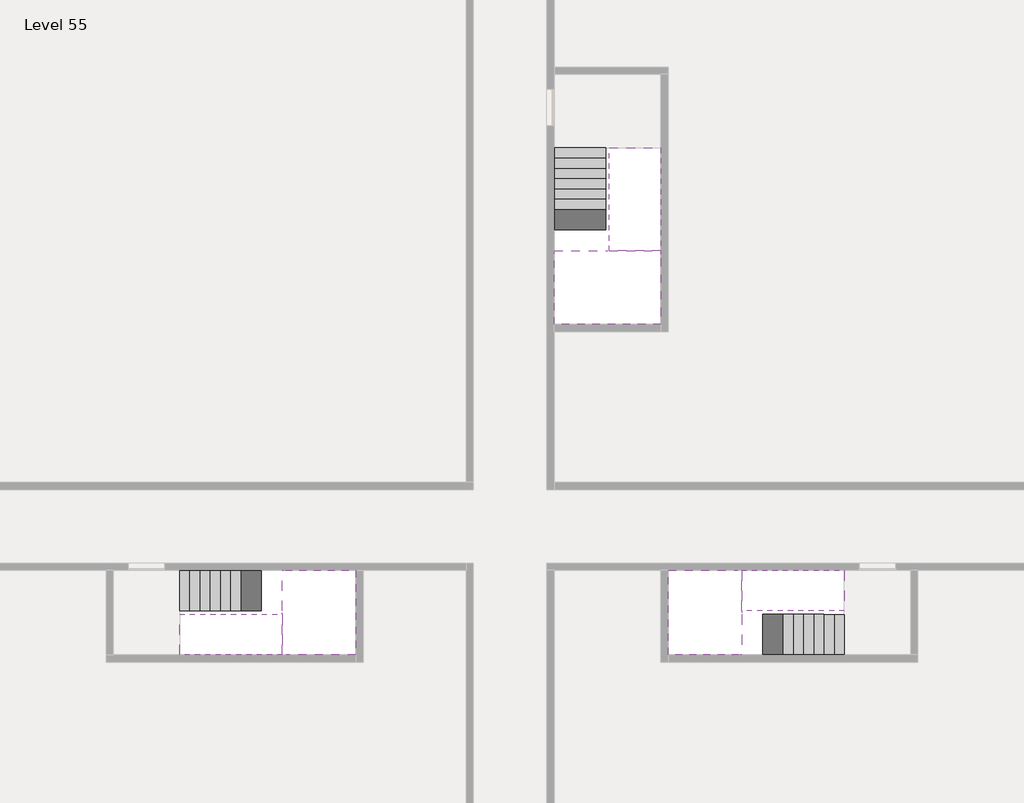
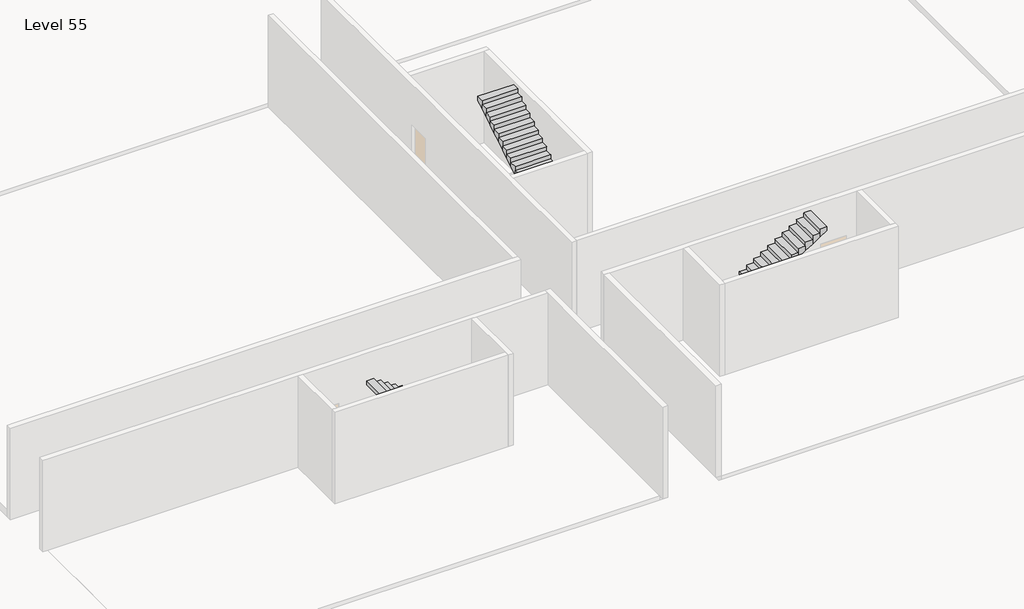
# One storey, part 2 of 2: 6 stair flights, 3 slabs.
"""IFC4 building model written with IfcOpenShell, lengths in millimetres."""

from ifc_helpers import new_model, si_unit, origin, place, context, project, spatial, faceted_brep, element, save

model = new_model("IFC4")

# Units and contexts
model_context = context("Model", 3, world=origin())
ifc_project = project(units=[si_unit("LENGTHUNIT", "METRE", prefix="MILLI")], contexts=[model_context])

# Site, building, storey
site = spatial("IfcSite", under=ifc_project)
building = spatial("IfcBuilding", under=site)
storey = spatial("IfcBuildingStorey", under=building, Name="Level 55", Elevation=205200.0)

# Slabs
placement = place(None, origin())
element("IfcSlab", 1, at=placement, inside=storey, context=model_context, shape_type="Brep", body=[
    faceted_brep([(26790.1058784, -34218.09644, 207100.0), (25390.1058784, -34218.09644, 207100.0), (25390.1058784, -34297.4828763, 207100.0), (25390.1058784, -36218.09644, 207100.0), (28290.1058784, -36218.09644, 207100.0), (28290.1058784, -34418.7100038, 207100.0), (28290.1058784, -34218.09644, 207100.0), (26890.1058784, -34218.09644, 207100.0), (26790.1058784, -34218.09644, 206800.0), (26790.1058784, -34218.09644, 206751.0278478), (25390.1058784, -34218.09644, 206751.0278478), (25390.1058784, -34218.09644, 206927.2727273), (25390.1058784, -34297.4828763, 206800.0), (25390.1058784, -36218.09644, 206800.0), (28290.1058784, -36218.09644, 206800.0), (28290.1058784, -34418.7100038, 206800.0), (28290.1058784, -34218.09644, 206923.7551205), (26890.1058784, -34218.09644, 206923.7551205), (26890.1058784, -34218.09644, 206800.0), (26890.1058784, -34418.7100038, 206800.0), (26790.1058784, -34297.4828763, 206800.0)], [[[0, 1, 2, 3, 4, 5, 6, 7]], [[1, 0, 8, 9, 10, 11]], [[1, 11, 10, 12, 13, 3, 2]], [[4, 3, 13, 14]], [[4, 14, 15, 16, 6, 5]], [[7, 6, 16, 17]], [[0, 7, 17, 18, 8]], [[18, 19, 15, 14, 13, 12, 20, 8]], [[19, 18, 17]], [[20, 12, 10, 9]], [[8, 20, 9]], [[15, 19, 17, 16]]]),
])
element("IfcSlab", 2, at=placement, inside=storey, context=model_context, shape_type="Brep", body=[
    faceted_brep([(30490.1058784, -45218.09644, 207100.0), (30490.1058784, -44118.09644, 207100.0), (30490.1058784, -44018.09644, 207100.0), (30490.1058784, -42918.09644, 207100.0), (30289.4923146, -42918.09644, 207100.0), (28490.1058784, -42918.09644, 207100.0), (28490.1058784, -45218.09644, 207100.0), (30410.7194421, -45218.09644, 207100.0), (30490.1058784, -45218.09644, 206927.2727273), (30490.1058784, -45218.09644, 206751.0278478), (30490.1058784, -44118.09644, 206751.0278478), (30490.1058784, -44118.09644, 206800.0), (30490.1058784, -44018.09644, 206800.0), (30490.1058784, -44018.09644, 206923.7551205), (30490.1058784, -42918.09644, 206923.7551205), (30289.4923146, -42918.09644, 206800.0), (28490.1058784, -42918.09644, 206800.0), (28490.1058784, -45218.09644, 206800.0), (30410.7194421, -45218.09644, 206800.0), (30289.4923146, -44018.09644, 206800.0), (30410.7194421, -44118.09644, 206800.0)], [[[0, 1, 2, 3, 4, 5, 6, 7]], [[1, 0, 8, 9, 10, 11]], [[2, 1, 11, 12, 13]], [[3, 2, 13, 14]], [[3, 14, 15, 16, 5, 4]], [[6, 5, 16, 17]], [[9, 8, 0, 7, 6, 17, 18]], [[19, 12, 11, 20, 18, 17, 16, 15]], [[12, 19, 13]], [[18, 20, 10, 9]], [[20, 11, 10]], [[19, 15, 14, 13]]]),
])
element("IfcSlab", 3, at=placement, inside=storey, context=model_context, shape_type="Brep", body=[
    faceted_brep([(17990.1058784, -42918.09644, 207100.0), (17990.1058784, -44018.09644, 207100.0), (17990.1058784, -44118.09644, 207100.0), (17990.1058784, -45218.09644, 207100.0), (18190.7194421, -45218.09644, 207100.0), (19990.1058784, -45218.09644, 207100.0), (19990.1058784, -42918.09644, 207100.0), (18069.4923146, -42918.09644, 207100.0), (17990.1058784, -42918.09644, 206927.2727273), (17990.1058784, -42918.09644, 206751.0278478), (17990.1058784, -44018.09644, 206751.0278478), (17990.1058784, -44018.09644, 206800.0), (17990.1058784, -44118.09644, 206800.0), (17990.1058784, -44118.09644, 206923.7551205), (17990.1058784, -45218.09644, 206923.7551205), (18190.7194421, -45218.09644, 206800.0), (19990.1058784, -45218.09644, 206800.0), (19990.1058784, -42918.09644, 206800.0), (18069.4923146, -42918.09644, 206800.0), (18190.7194421, -44118.09644, 206800.0), (18069.4923146, -44018.09644, 206800.0)], [[[0, 1, 2, 3, 4, 5, 6, 7]], [[1, 0, 8, 9, 10, 11]], [[2, 1, 11, 12, 13]], [[3, 2, 13, 14]], [[3, 14, 15, 16, 5, 4]], [[6, 5, 16, 17]], [[9, 8, 0, 7, 6, 17, 18]], [[19, 12, 11, 20, 18, 17, 16, 15]], [[12, 19, 13]], [[18, 20, 10, 9]], [[20, 11, 10]], [[19, 15, 14, 13]]]),
])

# Stair flights
element("IfcStairFlight", 4, at=placement, inside=storey, context=model_context, shape_type="Brep", body=[
    faceted_brep([(26790.1058784, -31698.09644, 205372.7272727), (26790.1058784, -31418.09644, 205372.7272727), (25390.1058784, -31418.09644, 205372.7272727), (25390.1058784, -31698.09644, 205372.7272727), (26790.1058784, -31698.09644, 205200.0), (26790.1058784, -31418.09644, 205200.0), (25390.1058784, -31418.09644, 205200.0), (25390.1058784, -31698.09644, 205200.0), (26790.1058784, -31978.09644, 205545.4545455), (26790.1058784, -31698.09644, 205545.4545455), (25390.1058784, -31698.09644, 205545.4545455), (25390.1058784, -31978.09644, 205545.4545455), (26790.1058784, -31978.09644, 205369.209666), (26790.1058784, -31703.7986657, 205200.0), (25390.1058784, -31703.7986657, 205200.0), (25390.1058784, -31978.09644, 205369.209666), (26790.1058784, -32258.09644, 205718.1818182), (26790.1058784, -31978.09644, 205718.1818182), (25390.1058784, -31978.09644, 205718.1818182), (25390.1058784, -32258.09644, 205718.1818182), (26790.1058784, -32258.09644, 205541.9369387), (25390.1058784, -32258.09644, 205541.9369387), (26790.1058784, -32538.09644, 205890.9090909), (26790.1058784, -32258.09644, 205890.9090909), (25390.1058784, -32258.09644, 205890.9090909), (25390.1058784, -32538.09644, 205890.9090909), (26790.1058784, -32538.09644, 205714.6642114), (25390.1058784, -32538.09644, 205714.6642114), (26790.1058784, -32818.09644, 206063.6363636), (26790.1058784, -32538.09644, 206063.6363636), (25390.1058784, -32538.09644, 206063.6363636), (25390.1058784, -32818.09644, 206063.6363636), (26790.1058784, -32818.09644, 205887.3914841), (25390.1058784, -32818.09644, 205887.3914841), (26790.1058784, -33098.09644, 206236.3636364), (26790.1058784, -32818.09644, 206236.3636364), (25390.1058784, -32818.09644, 206236.3636364), (25390.1058784, -33098.09644, 206236.3636364), (26790.1058784, -33098.09644, 206060.1187569), (25390.1058784, -33098.09644, 206060.1187569), (26790.1058784, -33378.09644, 206409.0909091), (26790.1058784, -33098.09644, 206409.0909091), (25390.1058784, -33098.09644, 206409.0909091), (25390.1058784, -33378.09644, 206409.0909091), (26790.1058784, -33378.09644, 206232.8460296), (25390.1058784, -33378.09644, 206232.8460296), (26790.1058784, -33658.09644, 206581.8181818), (26790.1058784, -33378.09644, 206581.8181818), (25390.1058784, -33378.09644, 206581.8181818), (25390.1058784, -33658.09644, 206581.8181818), (26790.1058784, -33658.09644, 206405.5733023), (25390.1058784, -33658.09644, 206405.5733023), (26790.1058784, -33938.09644, 206754.5454545), (26790.1058784, -33658.09644, 206754.5454545), (25390.1058784, -33658.09644, 206754.5454545), (25390.1058784, -33938.09644, 206754.5454545), (26790.1058784, -33938.09644, 206578.3005751), (25390.1058784, -33938.09644, 206578.3005751), (26790.1058784, -34218.09644, 206927.2727273), (26790.1058784, -33938.09644, 206927.2727273), (25390.1058784, -33938.09644, 206927.2727273), (25390.1058784, -34218.09644, 206927.2727273), (26790.1058784, -34218.09644, 206800.0), (26790.1058784, -34218.09644, 206751.0278478), (25390.1058784, -34218.09644, 206751.0278478)], [[[0, 1, 2, 3]], [[1, 0, 4, 5]], [[2, 1, 5, 6]], [[3, 2, 6, 7]], [[8, 9, 10, 11]], [[4, 0, 9, 8, 12, 13]], [[0, 3, 10, 9]], [[3, 7, 14, 15, 11, 10]], [[16, 17, 18, 19]], [[17, 16, 20, 12, 8]], [[8, 11, 18, 17]], [[19, 18, 11, 15, 21]], [[22, 23, 24, 25]], [[23, 22, 26, 20, 16]], [[16, 19, 24, 23]], [[25, 24, 19, 21, 27]], [[28, 29, 30, 31]], [[29, 28, 32, 26, 22]], [[22, 25, 30, 29]], [[31, 30, 25, 27, 33]], [[34, 35, 36, 37]], [[35, 34, 38, 32, 28]], [[28, 31, 36, 35]], [[37, 36, 31, 33, 39]], [[40, 41, 42, 43]], [[41, 40, 44, 38, 34]], [[34, 37, 42, 41]], [[43, 42, 37, 39, 45]], [[46, 47, 48, 49]], [[47, 46, 50, 44, 40]], [[40, 43, 48, 47]], [[49, 48, 43, 45, 51]], [[52, 53, 54, 55]], [[53, 52, 56, 50, 46]], [[46, 49, 54, 53]], [[55, 54, 49, 51, 57]], [[58, 59, 60, 61]], [[59, 58, 62, 63, 56, 52]], [[52, 55, 60, 59]], [[61, 60, 55, 57, 64]], [[58, 61, 64, 63, 62]], [[5, 4, 13, 14, 7, 6]], [[14, 13, 12, 20, 26, 32, 38, 44, 50, 56, 63, 64, 57, 51, 45, 39, 33, 27, 21, 15]]]),
])
element("IfcStairFlight", 5, at=placement, inside=storey, context=model_context, shape_type="Brep", body=[
    faceted_brep([(26890.1058784, -33938.09644, 207272.7272727), (26890.1058784, -34218.09644, 207272.7272727), (28290.1058784, -34218.09644, 207272.7272727), (28290.1058784, -33938.09644, 207272.7272727), (26890.1058784, -33938.09644, 207096.4823932), (26890.1058784, -34218.09644, 206923.7551205), (28290.1058784, -34218.09644, 206923.7551205), (28290.1058784, -34218.09644, 207100.0), (28290.1058784, -33938.09644, 207096.4823932), (26890.1058784, -33658.09644, 207445.4545455), (26890.1058784, -33938.09644, 207445.4545455), (28290.1058784, -33938.09644, 207445.4545455), (28290.1058784, -33658.09644, 207445.4545455), (26890.1058784, -33658.09644, 207269.209666), (28290.1058784, -33658.09644, 207269.209666), (26890.1058784, -33378.09644, 207618.1818182), (26890.1058784, -33658.09644, 207618.1818182), (28290.1058784, -33658.09644, 207618.1818182), (28290.1058784, -33378.09644, 207618.1818182), (26890.1058784, -33378.09644, 207441.9369387), (28290.1058784, -33378.09644, 207441.9369387), (26890.1058784, -33098.09644, 207790.9090909), (26890.1058784, -33378.09644, 207790.9090909), (28290.1058784, -33378.09644, 207790.9090909), (28290.1058784, -33098.09644, 207790.9090909), (26890.1058784, -33098.09644, 207614.6642114), (28290.1058784, -33098.09644, 207614.6642114), (26890.1058784, -32818.09644, 207963.6363636), (26890.1058784, -33098.09644, 207963.6363636), (28290.1058784, -33098.09644, 207963.6363636), (28290.1058784, -32818.09644, 207963.6363636), (26890.1058784, -32818.09644, 207787.3914841), (28290.1058784, -32818.09644, 207787.3914841), (26890.1058784, -32538.09644, 208136.3636364), (26890.1058784, -32818.09644, 208136.3636364), (28290.1058784, -32818.09644, 208136.3636364), (28290.1058784, -32538.09644, 208136.3636364), (26890.1058784, -32538.09644, 207960.1187569), (28290.1058784, -32538.09644, 207960.1187569), (26890.1058784, -32258.09644, 208309.0909091), (26890.1058784, -32538.09644, 208309.0909091), (28290.1058784, -32538.09644, 208309.0909091), (28290.1058784, -32258.09644, 208309.0909091), (26890.1058784, -32258.09644, 208132.8460296), (28290.1058784, -32258.09644, 208132.8460296), (26890.1058784, -31978.09644, 208481.8181818), (26890.1058784, -32258.09644, 208481.8181818), (28290.1058784, -32258.09644, 208481.8181818), (28290.1058784, -31978.09644, 208481.8181818), (26890.1058784, -31978.09644, 208305.5733023), (28290.1058784, -31978.09644, 208305.5733023), (26890.1058784, -31698.09644, 208654.5454545), (26890.1058784, -31978.09644, 208654.5454545), (28290.1058784, -31978.09644, 208654.5454545), (28290.1058784, -31698.09644, 208654.5454545), (26890.1058784, -31698.09644, 208478.3005751), (28290.1058784, -31698.09644, 208478.3005751), (26890.1058784, -31418.09644, 208827.2727273), (26890.1058784, -31698.09644, 208827.2727273), (28290.1058784, -31698.09644, 208827.2727273), (28290.1058784, -31418.09644, 208827.2727273), (26890.1058784, -31418.09644, 208651.0278478), (28290.1058784, -31418.09644, 208651.0278478)], [[[0, 1, 2, 3]], [[1, 0, 4, 5]], [[2, 1, 5, 6, 7]], [[3, 2, 7, 6, 8]], [[9, 10, 11, 12]], [[10, 9, 13, 4, 0]], [[11, 10, 0, 3]], [[12, 11, 3, 8, 14]], [[15, 16, 17, 18]], [[16, 15, 19, 13, 9]], [[17, 16, 9, 12]], [[18, 17, 12, 14, 20]], [[21, 22, 23, 24]], [[22, 21, 25, 19, 15]], [[23, 22, 15, 18]], [[24, 23, 18, 20, 26]], [[27, 28, 29, 30]], [[28, 27, 31, 25, 21]], [[29, 28, 21, 24]], [[30, 29, 24, 26, 32]], [[33, 34, 35, 36]], [[34, 33, 37, 31, 27]], [[35, 34, 27, 30]], [[36, 35, 30, 32, 38]], [[39, 40, 41, 42]], [[40, 39, 43, 37, 33]], [[41, 40, 33, 36]], [[42, 41, 36, 38, 44]], [[45, 46, 47, 48]], [[46, 45, 49, 43, 39]], [[47, 46, 39, 42]], [[48, 47, 42, 44, 50]], [[51, 52, 53, 54]], [[52, 51, 55, 49, 45]], [[53, 52, 45, 48]], [[54, 53, 48, 50, 56]], [[57, 58, 59, 60]], [[58, 57, 61, 55, 51]], [[59, 58, 51, 54]], [[60, 59, 54, 56, 62]], [[57, 60, 62, 61]], [[5, 4, 13, 19, 25, 31, 37, 43, 49, 55, 61, 62, 56, 50, 44, 38, 32, 26, 20, 14, 8, 6]]]),
])
element("IfcStairFlight", 6, at=placement, inside=storey, context=model_context, shape_type="Brep", body=[
    faceted_brep([(33010.1058784, -45218.09644, 205372.7272727), (33290.1058784, -45218.09644, 205372.7272727), (33290.1058784, -44118.09644, 205372.7272727), (33010.1058784, -44118.09644, 205372.7272727), (33010.1058784, -45218.09644, 205200.0), (33290.1058784, -45218.09644, 205200.0), (33290.1058784, -44118.09644, 205200.0), (33010.1058784, -44118.09644, 205200.0), (32730.1058784, -45218.09644, 205545.4545455), (33010.1058784, -45218.09644, 205545.4545455), (33010.1058784, -44118.09644, 205545.4545455), (32730.1058784, -44118.09644, 205545.4545455), (32730.1058784, -45218.09644, 205369.209666), (33004.4036527, -45218.09644, 205200.0), (33004.4036527, -44118.09644, 205200.0), (32730.1058784, -44118.09644, 205369.209666), (32450.1058784, -45218.09644, 205718.1818182), (32730.1058784, -45218.09644, 205718.1818182), (32730.1058784, -44118.09644, 205718.1818182), (32450.1058784, -44118.09644, 205718.1818182), (32450.1058784, -45218.09644, 205541.9369387), (32450.1058784, -44118.09644, 205541.9369387), (32170.1058784, -45218.09644, 205890.9090909), (32450.1058784, -45218.09644, 205890.9090909), (32450.1058784, -44118.09644, 205890.9090909), (32170.1058784, -44118.09644, 205890.9090909), (32170.1058784, -45218.09644, 205714.6642114), (32170.1058784, -44118.09644, 205714.6642114), (31890.1058784, -45218.09644, 206063.6363636), (32170.1058784, -45218.09644, 206063.6363636), (32170.1058784, -44118.09644, 206063.6363636), (31890.1058784, -44118.09644, 206063.6363636), (31890.1058784, -45218.09644, 205887.3914841), (31890.1058784, -44118.09644, 205887.3914841), (31610.1058784, -45218.09644, 206236.3636364), (31890.1058784, -45218.09644, 206236.3636364), (31890.1058784, -44118.09644, 206236.3636364), (31610.1058784, -44118.09644, 206236.3636364), (31610.1058784, -45218.09644, 206060.1187569), (31610.1058784, -44118.09644, 206060.1187569), (31330.1058784, -45218.09644, 206409.0909091), (31610.1058784, -45218.09644, 206409.0909091), (31610.1058784, -44118.09644, 206409.0909091), (31330.1058784, -44118.09644, 206409.0909091), (31330.1058784, -45218.09644, 206232.8460296), (31330.1058784, -44118.09644, 206232.8460296), (31050.1058784, -45218.09644, 206581.8181818), (31330.1058784, -45218.09644, 206581.8181818), (31330.1058784, -44118.09644, 206581.8181818), (31050.1058784, -44118.09644, 206581.8181818), (31050.1058784, -45218.09644, 206405.5733023), (31050.1058784, -44118.09644, 206405.5733023), (30770.1058784, -45218.09644, 206754.5454545), (31050.1058784, -45218.09644, 206754.5454545), (31050.1058784, -44118.09644, 206754.5454545), (30770.1058784, -44118.09644, 206754.5454545), (30770.1058784, -45218.09644, 206578.3005751), (30770.1058784, -44118.09644, 206578.3005751), (30490.1058784, -45218.09644, 206927.2727273), (30770.1058784, -45218.09644, 206927.2727273), (30770.1058784, -44118.09644, 206927.2727273), (30490.1058784, -44118.09644, 206927.2727273), (30490.1058784, -45218.09644, 206751.0278478), (30490.1058784, -44118.09644, 206751.0278478), (30490.1058784, -44118.09644, 206800.0)], [[[0, 1, 2, 3]], [[1, 0, 4, 5]], [[2, 1, 5, 6]], [[3, 2, 6, 7]], [[8, 9, 10, 11]], [[4, 0, 9, 8, 12, 13]], [[0, 3, 10, 9]], [[3, 7, 14, 15, 11, 10]], [[16, 17, 18, 19]], [[17, 16, 20, 12, 8]], [[8, 11, 18, 17]], [[19, 18, 11, 15, 21]], [[22, 23, 24, 25]], [[23, 22, 26, 20, 16]], [[16, 19, 24, 23]], [[25, 24, 19, 21, 27]], [[28, 29, 30, 31]], [[29, 28, 32, 26, 22]], [[22, 25, 30, 29]], [[31, 30, 25, 27, 33]], [[34, 35, 36, 37]], [[35, 34, 38, 32, 28]], [[28, 31, 36, 35]], [[37, 36, 31, 33, 39]], [[40, 41, 42, 43]], [[41, 40, 44, 38, 34]], [[34, 37, 42, 41]], [[43, 42, 37, 39, 45]], [[46, 47, 48, 49]], [[47, 46, 50, 44, 40]], [[40, 43, 48, 47]], [[49, 48, 43, 45, 51]], [[52, 53, 54, 55]], [[53, 52, 56, 50, 46]], [[46, 49, 54, 53]], [[55, 54, 49, 51, 57]], [[58, 59, 60, 61]], [[59, 58, 62, 56, 52]], [[52, 55, 60, 59]], [[61, 60, 55, 57, 63, 64]], [[58, 61, 64, 63, 62]], [[5, 4, 13, 14, 7, 6]], [[14, 13, 12, 20, 26, 32, 38, 44, 50, 56, 62, 63, 57, 51, 45, 39, 33, 27, 21, 15]]]),
])
element("IfcStairFlight", 7, at=placement, inside=storey, context=model_context, shape_type="Brep", body=[
    faceted_brep([(30770.1058784, -42918.09644, 207272.7272727), (30490.1058784, -42918.09644, 207272.7272727), (30490.1058784, -44018.09644, 207272.7272727), (30770.1058784, -44018.09644, 207272.7272727), (30770.1058784, -42918.09644, 207096.4823932), (30490.1058784, -42918.09644, 206923.7551205), (30490.1058784, -42918.09644, 207100.0), (30490.1058784, -44018.09644, 206923.7551205), (30770.1058784, -44018.09644, 207096.4823932), (31050.1058784, -42918.09644, 207445.4545455), (30770.1058784, -42918.09644, 207445.4545455), (30770.1058784, -44018.09644, 207445.4545455), (31050.1058784, -44018.09644, 207445.4545455), (31050.1058784, -42918.09644, 207269.209666), (31050.1058784, -44018.09644, 207269.209666), (31330.1058784, -42918.09644, 207618.1818182), (31050.1058784, -42918.09644, 207618.1818182), (31050.1058784, -44018.09644, 207618.1818182), (31330.1058784, -44018.09644, 207618.1818182), (31330.1058784, -42918.09644, 207441.9369387), (31330.1058784, -44018.09644, 207441.9369387), (31610.1058784, -42918.09644, 207790.9090909), (31330.1058784, -42918.09644, 207790.9090909), (31330.1058784, -44018.09644, 207790.9090909), (31610.1058784, -44018.09644, 207790.9090909), (31610.1058784, -42918.09644, 207614.6642114), (31610.1058784, -44018.09644, 207614.6642114), (31890.1058784, -42918.09644, 207963.6363636), (31610.1058784, -42918.09644, 207963.6363636), (31610.1058784, -44018.09644, 207963.6363636), (31890.1058784, -44018.09644, 207963.6363636), (31890.1058784, -42918.09644, 207787.3914841), (31890.1058784, -44018.09644, 207787.3914841), (32170.1058784, -42918.09644, 208136.3636364), (31890.1058784, -42918.09644, 208136.3636364), (31890.1058784, -44018.09644, 208136.3636364), (32170.1058784, -44018.09644, 208136.3636364), (32170.1058784, -42918.09644, 207960.1187569), (32170.1058784, -44018.09644, 207960.1187569), (32450.1058784, -42918.09644, 208309.0909091), (32170.1058784, -42918.09644, 208309.0909091), (32170.1058784, -44018.09644, 208309.0909091), (32450.1058784, -44018.09644, 208309.0909091), (32450.1058784, -42918.09644, 208132.8460296), (32450.1058784, -44018.09644, 208132.8460296), (32730.1058784, -42918.09644, 208481.8181818), (32450.1058784, -42918.09644, 208481.8181818), (32450.1058784, -44018.09644, 208481.8181818), (32730.1058784, -44018.09644, 208481.8181818), (32730.1058784, -42918.09644, 208305.5733023), (32730.1058784, -44018.09644, 208305.5733023), (33010.1058784, -42918.09644, 208654.5454545), (32730.1058784, -42918.09644, 208654.5454545), (32730.1058784, -44018.09644, 208654.5454545), (33010.1058784, -44018.09644, 208654.5454545), (33010.1058784, -42918.09644, 208478.3005751), (33010.1058784, -44018.09644, 208478.3005751), (33290.1058784, -42918.09644, 208827.2727273), (33010.1058784, -42918.09644, 208827.2727273), (33010.1058784, -44018.09644, 208827.2727273), (33290.1058784, -44018.09644, 208827.2727273), (33290.1058784, -42918.09644, 208651.0278478), (33290.1058784, -44018.09644, 208651.0278478)], [[[0, 1, 2, 3]], [[1, 0, 4, 5, 6]], [[2, 1, 6, 5, 7]], [[3, 2, 7, 8]], [[9, 10, 11, 12]], [[10, 9, 13, 4, 0]], [[11, 10, 0, 3]], [[12, 11, 3, 8, 14]], [[15, 16, 17, 18]], [[16, 15, 19, 13, 9]], [[17, 16, 9, 12]], [[18, 17, 12, 14, 20]], [[21, 22, 23, 24]], [[22, 21, 25, 19, 15]], [[23, 22, 15, 18]], [[24, 23, 18, 20, 26]], [[27, 28, 29, 30]], [[28, 27, 31, 25, 21]], [[29, 28, 21, 24]], [[30, 29, 24, 26, 32]], [[33, 34, 35, 36]], [[34, 33, 37, 31, 27]], [[35, 34, 27, 30]], [[36, 35, 30, 32, 38]], [[39, 40, 41, 42]], [[40, 39, 43, 37, 33]], [[41, 40, 33, 36]], [[42, 41, 36, 38, 44]], [[45, 46, 47, 48]], [[46, 45, 49, 43, 39]], [[47, 46, 39, 42]], [[48, 47, 42, 44, 50]], [[51, 52, 53, 54]], [[52, 51, 55, 49, 45]], [[53, 52, 45, 48]], [[54, 53, 48, 50, 56]], [[57, 58, 59, 60]], [[58, 57, 61, 55, 51]], [[59, 58, 51, 54]], [[60, 59, 54, 56, 62]], [[57, 60, 62, 61]], [[5, 4, 13, 19, 25, 31, 37, 43, 49, 55, 61, 62, 56, 50, 44, 38, 32, 26, 20, 14, 8, 7]]]),
])
element("IfcStairFlight", 8, at=placement, inside=storey, context=model_context, shape_type="Brep", body=[
    faceted_brep([(15470.1058784, -42918.09644, 205372.7272727), (15190.1058784, -42918.09644, 205372.7272727), (15190.1058784, -44018.09644, 205372.7272727), (15470.1058784, -44018.09644, 205372.7272727), (15470.1058784, -42918.09644, 205200.0), (15190.1058784, -42918.09644, 205200.0), (15190.1058784, -44018.09644, 205200.0), (15470.1058784, -44018.09644, 205200.0), (15750.1058784, -42918.09644, 205545.4545455), (15470.1058784, -42918.09644, 205545.4545455), (15470.1058784, -44018.09644, 205545.4545455), (15750.1058784, -44018.09644, 205545.4545455), (15750.1058784, -42918.09644, 205369.209666), (15475.8081041, -42918.09644, 205200.0), (15475.8081041, -44018.09644, 205200.0), (15750.1058784, -44018.09644, 205369.209666), (16030.1058784, -42918.09644, 205718.1818182), (15750.1058784, -42918.09644, 205718.1818182), (15750.1058784, -44018.09644, 205718.1818182), (16030.1058784, -44018.09644, 205718.1818182), (16030.1058784, -42918.09644, 205541.9369387), (16030.1058784, -44018.09644, 205541.9369387), (16310.1058784, -42918.09644, 205890.9090909), (16030.1058784, -42918.09644, 205890.9090909), (16030.1058784, -44018.09644, 205890.9090909), (16310.1058784, -44018.09644, 205890.9090909), (16310.1058784, -42918.09644, 205714.6642114), (16310.1058784, -44018.09644, 205714.6642114), (16590.1058784, -42918.09644, 206063.6363636), (16310.1058784, -42918.09644, 206063.6363636), (16310.1058784, -44018.09644, 206063.6363636), (16590.1058784, -44018.09644, 206063.6363636), (16590.1058784, -42918.09644, 205887.3914841), (16590.1058784, -44018.09644, 205887.3914841), (16870.1058784, -42918.09644, 206236.3636364), (16590.1058784, -42918.09644, 206236.3636364), (16590.1058784, -44018.09644, 206236.3636364), (16870.1058784, -44018.09644, 206236.3636364), (16870.1058784, -42918.09644, 206060.1187569), (16870.1058784, -44018.09644, 206060.1187569), (17150.1058784, -42918.09644, 206409.0909091), (16870.1058784, -42918.09644, 206409.0909091), (16870.1058784, -44018.09644, 206409.0909091), (17150.1058784, -44018.09644, 206409.0909091), (17150.1058784, -42918.09644, 206232.8460296), (17150.1058784, -44018.09644, 206232.8460296), (17430.1058784, -42918.09644, 206581.8181818), (17150.1058784, -42918.09644, 206581.8181818), (17150.1058784, -44018.09644, 206581.8181818), (17430.1058784, -44018.09644, 206581.8181818), (17430.1058784, -42918.09644, 206405.5733023), (17430.1058784, -44018.09644, 206405.5733023), (17710.1058784, -42918.09644, 206754.5454545), (17430.1058784, -42918.09644, 206754.5454545), (17430.1058784, -44018.09644, 206754.5454545), (17710.1058784, -44018.09644, 206754.5454545), (17710.1058784, -42918.09644, 206578.3005751), (17710.1058784, -44018.09644, 206578.3005751), (17990.1058784, -42918.09644, 206927.2727273), (17710.1058784, -42918.09644, 206927.2727273), (17710.1058784, -44018.09644, 206927.2727273), (17990.1058784, -44018.09644, 206927.2727273), (17990.1058784, -42918.09644, 206751.0278478), (17990.1058784, -44018.09644, 206751.0278478), (17990.1058784, -44018.09644, 206800.0)], [[[0, 1, 2, 3]], [[1, 0, 4, 5]], [[2, 1, 5, 6]], [[3, 2, 6, 7]], [[8, 9, 10, 11]], [[4, 0, 9, 8, 12, 13]], [[0, 3, 10, 9]], [[3, 7, 14, 15, 11, 10]], [[16, 17, 18, 19]], [[17, 16, 20, 12, 8]], [[8, 11, 18, 17]], [[19, 18, 11, 15, 21]], [[22, 23, 24, 25]], [[23, 22, 26, 20, 16]], [[16, 19, 24, 23]], [[25, 24, 19, 21, 27]], [[28, 29, 30, 31]], [[29, 28, 32, 26, 22]], [[22, 25, 30, 29]], [[31, 30, 25, 27, 33]], [[34, 35, 36, 37]], [[35, 34, 38, 32, 28]], [[28, 31, 36, 35]], [[37, 36, 31, 33, 39]], [[40, 41, 42, 43]], [[41, 40, 44, 38, 34]], [[34, 37, 42, 41]], [[43, 42, 37, 39, 45]], [[46, 47, 48, 49]], [[47, 46, 50, 44, 40]], [[40, 43, 48, 47]], [[49, 48, 43, 45, 51]], [[52, 53, 54, 55]], [[53, 52, 56, 50, 46]], [[46, 49, 54, 53]], [[55, 54, 49, 51, 57]], [[58, 59, 60, 61]], [[59, 58, 62, 56, 52]], [[52, 55, 60, 59]], [[61, 60, 55, 57, 63, 64]], [[58, 61, 64, 63, 62]], [[5, 4, 13, 14, 7, 6]], [[14, 13, 12, 20, 26, 32, 38, 44, 50, 56, 62, 63, 57, 51, 45, 39, 33, 27, 21, 15]]]),
])
element("IfcStairFlight", 9, at=placement, inside=storey, context=model_context, shape_type="Brep", body=[
    faceted_brep([(17710.1058784, -45218.09644, 207272.7272727), (17990.1058784, -45218.09644, 207272.7272727), (17990.1058784, -44118.09644, 207272.7272727), (17710.1058784, -44118.09644, 207272.7272727), (17710.1058784, -45218.09644, 207096.4823932), (17990.1058784, -45218.09644, 206923.7551205), (17990.1058784, -45218.09644, 207100.0), (17990.1058784, -44118.09644, 206923.7551205), (17710.1058784, -44118.09644, 207096.4823932), (17430.1058784, -45218.09644, 207445.4545455), (17710.1058784, -45218.09644, 207445.4545455), (17710.1058784, -44118.09644, 207445.4545455), (17430.1058784, -44118.09644, 207445.4545455), (17430.1058784, -45218.09644, 207269.209666), (17430.1058784, -44118.09644, 207269.209666), (17150.1058784, -45218.09644, 207618.1818182), (17430.1058784, -45218.09644, 207618.1818182), (17430.1058784, -44118.09644, 207618.1818182), (17150.1058784, -44118.09644, 207618.1818182), (17150.1058784, -45218.09644, 207441.9369387), (17150.1058784, -44118.09644, 207441.9369387), (16870.1058784, -45218.09644, 207790.9090909), (17150.1058784, -45218.09644, 207790.9090909), (17150.1058784, -44118.09644, 207790.9090909), (16870.1058784, -44118.09644, 207790.9090909), (16870.1058784, -45218.09644, 207614.6642114), (16870.1058784, -44118.09644, 207614.6642114), (16590.1058784, -45218.09644, 207963.6363636), (16870.1058784, -45218.09644, 207963.6363636), (16870.1058784, -44118.09644, 207963.6363636), (16590.1058784, -44118.09644, 207963.6363636), (16590.1058784, -45218.09644, 207787.3914841), (16590.1058784, -44118.09644, 207787.3914841), (16310.1058784, -45218.09644, 208136.3636364), (16590.1058784, -45218.09644, 208136.3636364), (16590.1058784, -44118.09644, 208136.3636364), (16310.1058784, -44118.09644, 208136.3636364), (16310.1058784, -45218.09644, 207960.1187569), (16310.1058784, -44118.09644, 207960.1187569), (16030.1058784, -45218.09644, 208309.0909091), (16310.1058784, -45218.09644, 208309.0909091), (16310.1058784, -44118.09644, 208309.0909091), (16030.1058784, -44118.09644, 208309.0909091), (16030.1058784, -45218.09644, 208132.8460296), (16030.1058784, -44118.09644, 208132.8460296), (15750.1058784, -45218.09644, 208481.8181818), (16030.1058784, -45218.09644, 208481.8181818), (16030.1058784, -44118.09644, 208481.8181818), (15750.1058784, -44118.09644, 208481.8181818), (15750.1058784, -45218.09644, 208305.5733023), (15750.1058784, -44118.09644, 208305.5733023), (15470.1058784, -45218.09644, 208654.5454545), (15750.1058784, -45218.09644, 208654.5454545), (15750.1058784, -44118.09644, 208654.5454545), (15470.1058784, -44118.09644, 208654.5454545), (15470.1058784, -45218.09644, 208478.3005751), (15470.1058784, -44118.09644, 208478.3005751), (15190.1058784, -45218.09644, 208827.2727273), (15470.1058784, -45218.09644, 208827.2727273), (15470.1058784, -44118.09644, 208827.2727273), (15190.1058784, -44118.09644, 208827.2727273), (15190.1058784, -45218.09644, 208651.0278478), (15190.1058784, -44118.09644, 208651.0278478)], [[[0, 1, 2, 3]], [[1, 0, 4, 5, 6]], [[2, 1, 6, 5, 7]], [[3, 2, 7, 8]], [[9, 10, 11, 12]], [[10, 9, 13, 4, 0]], [[11, 10, 0, 3]], [[12, 11, 3, 8, 14]], [[15, 16, 17, 18]], [[16, 15, 19, 13, 9]], [[17, 16, 9, 12]], [[18, 17, 12, 14, 20]], [[21, 22, 23, 24]], [[22, 21, 25, 19, 15]], [[23, 22, 15, 18]], [[24, 23, 18, 20, 26]], [[27, 28, 29, 30]], [[28, 27, 31, 25, 21]], [[29, 28, 21, 24]], [[30, 29, 24, 26, 32]], [[33, 34, 35, 36]], [[34, 33, 37, 31, 27]], [[35, 34, 27, 30]], [[36, 35, 30, 32, 38]], [[39, 40, 41, 42]], [[40, 39, 43, 37, 33]], [[41, 40, 33, 36]], [[42, 41, 36, 38, 44]], [[45, 46, 47, 48]], [[46, 45, 49, 43, 39]], [[47, 46, 39, 42]], [[48, 47, 42, 44, 50]], [[51, 52, 53, 54]], [[52, 51, 55, 49, 45]], [[53, 52, 45, 48]], [[54, 53, 48, 50, 56]], [[57, 58, 59, 60]], [[58, 57, 61, 55, 51]], [[59, 58, 51, 54]], [[60, 59, 54, 56, 62]], [[57, 60, 62, 61]], [[5, 4, 13, 19, 25, 31, 37, 43, 49, 55, 61, 62, 56, 50, 44, 38, 32, 26, 20, 14, 8, 7]]]),
])

save(model, "model.ifc")
